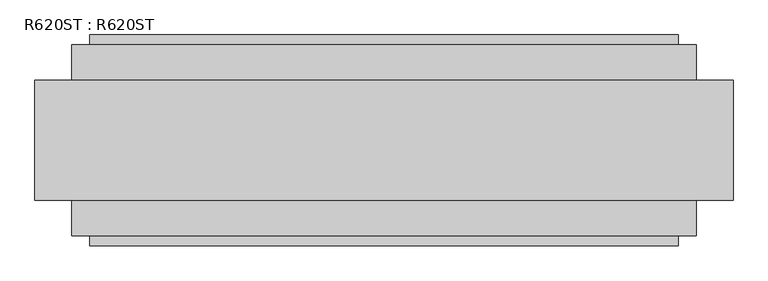
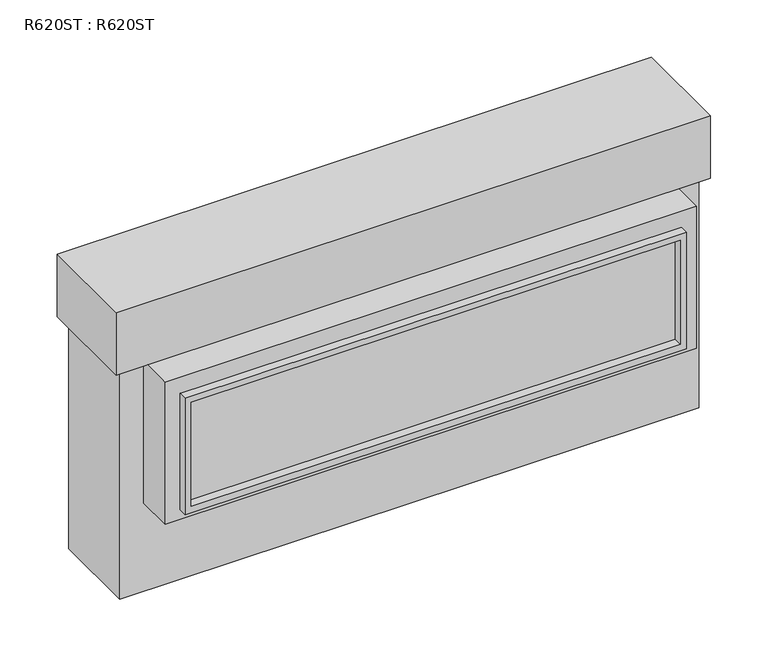
"""IFC4 building model written with IfcOpenShell, lengths in millimetres: proxy geometry, R620ST : R620ST."""

from ifc_helpers import new_model, si_unit, frame, origin, origin_with_axes, place, context, project, spatial, polyline, outline, extrude, source, transform, mapped, element, save


def r620st_r620st_67bb2ffe(model_context):
    return source(origin(), model_context, "Body", "SweptSolid", [
        extrude(outline(polyline([(383.7939923, 928.6944141), (839.571625, 928.6944141), (839.571625, -928.6805859), (383.7939923, -928.6805859), (383.7939923, 928.6944141)]), holes=[polyline([(816.3306266, 906.2661996), (409.1939923, 906.2661996), (409.1939923, -906.2661996), (816.3306266, -906.2661996), (816.3306266, 906.2661996)])]), frame((0.0, 301.5487979, 0.0), z_axis=(0.0, 1.0, 0.0), x_axis=(0.0, 0.0, 1.0)), (0.0, 0.0, 1.0), 30.8572054),
        extrude(outline(polyline([(-984.1224098, 301.5487979), (984.1108684, 301.5487979), (984.1108684, 163.5125), (-984.1224098, 163.5125), (-984.1224098, 301.5487979)])), frame((0.0, 0.0, 346.0496366), z_axis=(0.0, 0.0, 1.0), x_axis=(1.0, 0.0, 0.0)), (0.0, 0.0, 1.0), 556.463182),
        extrude(outline(polyline([(383.7939923, 928.6944141), (839.571625, 928.6944141), (839.571625, -928.6805859), (383.7939923, -928.6805859), (383.7939923, 928.6944141)]), holes=[polyline([(816.3306266, 906.2661996), (409.1939923, 906.2661996), (409.1939923, -906.2661996), (816.3306266, -906.2661996), (816.3306266, 906.2661996)])]), frame((0.0, -332.4060033, 0.0), z_axis=(0.0, 1.0, 0.0), x_axis=(0.0, 0.0, 1.0)), (0.0, 0.0, 1.0), 30.8572054),
        extrude(outline(polyline([(984.1108684, -301.5487979), (-984.1224098, -301.5487979), (-984.1224098, -163.5125), (984.1108684, -163.5125), (984.1108684, -301.5487979)])), frame((0.0, 0.0, 346.0496366), z_axis=(0.0, 0.0, 1.0), x_axis=(1.0, 0.0, 0.0)), (0.0, 0.0, 1.0), 556.463182),
        extrude(outline(polyline([(1100.9254684, 188.9125), (1100.9254684, -188.9125), (-1100.9370316, -188.9125), (-1100.9370316, 188.9125), (1100.9254684, 188.9125)])), frame((0.0, 0.0, 902.5128186), z_axis=(0.0, 0.0, 1.0), x_axis=(1.0, 0.0, 0.0)), (0.0, 0.0, 1.0), 245.9228337),
        extrude(outline(polyline([(1072.3504684, 163.5125), (1072.3504684, -163.5125), (-1072.3620316, -163.5125), (-1072.3620316, 163.5125), (1072.3504684, 163.5125)])), origin_with_axes(), (0.0, 0.0, 1.0), 902.5128186),
    ])


if __name__ == "__main__":
    model = new_model("IFC4")
    model_context = context("Model", 3, world=origin())
    ifc_project = project(units=[si_unit("LENGTHUNIT", "METRE", prefix="MILLI")], contexts=[model_context])
    site = spatial("IfcSite", under=ifc_project)
    building = spatial("IfcBuilding", under=site)
    placement = place(None, origin())
    r620st_r620st_shape = r620st_r620st_67bb2ffe(model_context)
    element("IfcBuildingElementProxy", 1, Name="R620ST : R620ST", ObjectType="R620ST : R620ST", at=placement, inside=building, context=model_context, shape_type="MappedRepresentation", body=[
        mapped(r620st_r620st_shape, transform((0.0, 0.0, 0.0), x_axis=(1.0, 0.0, 0.0), y_axis=(0.0, 1.0, 0.0), z_axis=(0.0, 0.0, 1.0))),
    ])
    save(model, "model.ifc")
